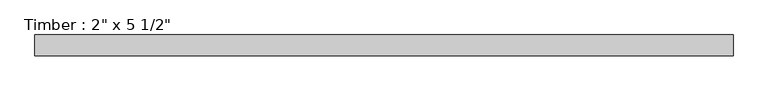
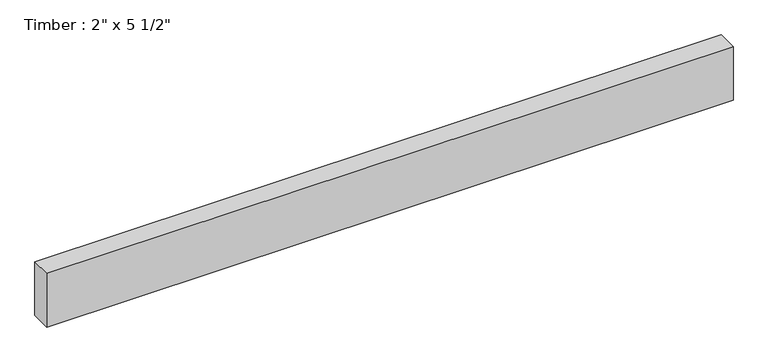
"""IFC4 building model written with IfcOpenShell, lengths in millimetres: beam geometry."""

from ifc_helpers import new_model, si_unit, frame, origin, place, context, project, spatial, polyline, outline, extrude, source, transform, mapped, element, save


def beam_e57d72dd(model_context):
    return source(origin(), model_context, "Body", "SweptSolid", [
        extrude(outline(polyline([(847.2062923, 25.4), (847.2062923, -25.4), (-847.2062923, -25.4), (-847.2062923, 25.4), (847.2062923, 25.4)])), frame((0.0, 0.0, -69.85), z_axis=(0.0, 0.0, 1.0), x_axis=(1.0, 0.0, 0.0)), (0.0, 0.0, 1.0), 139.7),
    ])


if __name__ == "__main__":
    model = new_model("IFC4")
    model_context = context("Model", 3, world=origin())
    ifc_project = project(units=[si_unit("LENGTHUNIT", "METRE", prefix="MILLI")], contexts=[model_context])
    site = spatial("IfcSite", under=ifc_project)
    building = spatial("IfcBuilding", under=site)
    placement = place(None, origin())
    beam_shape = beam_e57d72dd(model_context)
    element("IfcBeam", 1, ObjectType="Timber : 2\" x 5 1/2\"", at=placement, inside=building, context=model_context, shape_type="MappedRepresentation", body=[
        mapped(beam_shape, transform((0.0, 0.0, 0.0), x_axis=(1.0, 0.0, 0.0), y_axis=(0.0, 1.0, 0.0), z_axis=(0.0, 0.0, 1.0))),
    ])
    save(model, "model.ifc")
